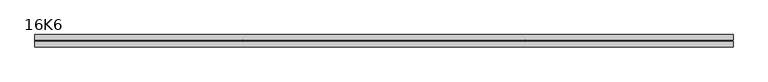
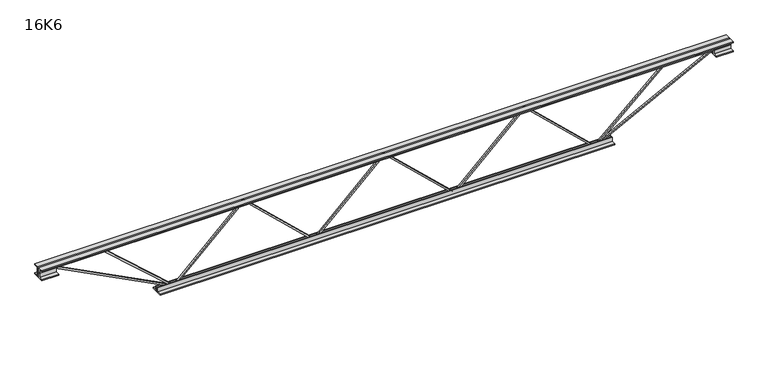
"""IFC4 building model written with IfcOpenShell, lengths in millimetres: beam geometry, 16K6."""

from ifc_helpers import new_model, si_unit, frame, origin, place, context, project, spatial, polyline, outline, extrude, source, transform, mapped, element, save


def beam_16k6_fc49dab9(model_context):
    return source(origin(), model_context, "Body", "SweptSolid", [
        extrude(outline(polyline([(-191.9, -422.5), (-201.4, -422.5), (-201.4, -417.4355605), (191.9, -1.2855605), (191.9, 1.2855605), (-201.4, 417.4355605), (-201.4, 422.5), (-191.9, 422.5), (-191.9, 421.2144395), (201.4, 5.0644395), (201.4, -5.0644395), (-191.9, -421.2144395), (-191.9, -422.5)])), frame((0.0, -4.75, 0.0), z_axis=(0.0, 1.0, 0.0), x_axis=(0.0, 0.0, 1.0)), (0.0, 0.0, 1.0), 9.5),
        extrude(outline(polyline([(-191.9, 422.5), (-201.4, 422.5), (-201.4, 427.5644395), (191.9, 843.7144395), (191.9, 846.2855605), (-201.4, 1262.4355605), (-201.4, 1267.5), (-191.9, 1267.5), (-191.9, 1266.2144395), (201.4, 850.0644395), (201.4, 839.9355605), (-191.9, 423.7855605), (-191.9, 422.5)])), frame((0.0, -4.75, 0.0), z_axis=(0.0, 1.0, 0.0), x_axis=(0.0, 0.0, 1.0)), (0.0, 0.0, 1.0), 9.5),
        extrude(outline(polyline([(-191.9, -1267.5), (-201.4, -1267.5), (-201.4, -1262.4355605), (191.9, -846.2855605), (191.9, -843.7144395), (-201.4, -427.5644395), (-201.4, -422.5), (-191.9, -422.5), (-191.9, -423.7855605), (201.4, -839.9355605), (201.4, -850.0644395), (-191.9, -1266.2144395), (-191.9, -1267.5)])), frame((0.0, -4.75, 0.0), z_axis=(0.0, 1.0, 0.0), x_axis=(0.0, 0.0, 1.0)), (0.0, 0.0, 1.0), 9.5),
        extrude(outline(polyline([(4.75, 203.0), (36.75, 203.0), (36.75, 196.5), (11.25, 196.5), (11.25, 171.0), (4.75, 171.0), (4.75, 203.0)])), frame((-2079.5, 0.0, 0.0), z_axis=(1.0, 0.0, 0.0), x_axis=(0.0, 1.0, 0.0)), (0.0, 0.0, 1.0), 4159.0),
        extrude(outline(polyline([(-4.75, 203.0), (-4.75, 171.0), (-11.25, 171.0), (-11.25, 196.5), (-36.75, 196.5), (-36.75, 203.0), (-4.75, 203.0)])), frame((-2079.5, 0.0, 0.0), z_axis=(1.0, 0.0, 0.0), x_axis=(0.0, 1.0, 0.0)), (0.0, 0.0, 1.0), 4159.0),
        extrude(outline(polyline([(-4.75, 139.5), (-36.75, 139.5), (-36.75, 146.0), (-11.25, 146.0), (-11.25, 171.0), (-4.75, 171.0), (-4.75, 139.5)])), frame((-2079.5, 0.0, 0.0), z_axis=(1.0, 0.0, 0.0), x_axis=(0.0, 1.0, 0.0)), (0.0, 0.0, 1.0), 100.0),
        extrude(outline(polyline([(36.75, 139.5), (4.75, 139.5), (4.75, 171.0), (11.25, 171.0), (11.25, 146.0), (36.75, 146.0), (36.75, 139.5)])), frame((-2079.5, 0.0, 0.0), z_axis=(1.0, 0.0, 0.0), x_axis=(0.0, 1.0, 0.0)), (0.0, 0.0, 1.0), 100.0),
        extrude(outline(polyline([(4.75, 139.5), (4.75, 171.0), (11.25, 171.0), (11.25, 146.0), (36.75, 146.0), (36.75, 139.5), (4.75, 139.5)])), frame((1979.5, 0.0, 0.0), z_axis=(1.0, 0.0, 0.0), x_axis=(0.0, 1.0, 0.0)), (0.0, 0.0, 1.0), 100.0),
        extrude(outline(polyline([(-4.75, 139.5), (-36.75, 139.5), (-36.75, 146.0), (-11.25, 146.0), (-11.25, 171.0), (-4.75, 171.0), (-4.75, 139.5)])), frame((1979.5, 0.0, 0.0), z_axis=(1.0, 0.0, 0.0), x_axis=(0.0, 1.0, 0.0)), (0.0, 0.0, 1.0), 100.0),
        extrude(outline(polyline([(4.75, -203.0), (4.75, -171.0), (11.25, -171.0), (11.25, -196.5), (36.75, -196.5), (36.75, -203.0), (4.75, -203.0)])), frame((-1367.5, 0.0, 0.0), z_axis=(1.0, 0.0, 0.0), x_axis=(0.0, 1.0, 0.0)), (0.0, 0.0, 1.0), 2735.0),
        extrude(outline(polyline([(-4.75, -203.0), (-36.75, -203.0), (-36.75, -196.5), (-11.25, -196.5), (-11.25, -171.0), (-4.75, -171.0), (-4.75, -203.0)])), frame((-1367.5, 0.0, 0.0), z_axis=(1.0, 0.0, 0.0), x_axis=(0.0, 1.0, 0.0)), (0.0, 0.0, 1.0), 2735.0),
        extrude(outline(polyline([(-200.8705467, -1269.6793315), (-192.4294533, -1265.3206685), (175.75, -1978.3460208), (175.75, -2079.5), (166.25, -2079.5), (166.25, -1980.6539792), (-200.8705467, -1269.6793315)])), frame((0.0, -4.75, 0.0), z_axis=(0.0, 1.0, 0.0), x_axis=(0.0, 0.0, 1.0)), (0.0, 0.0, 1.0), 9.5),
        extrude(outline(polyline([(188.7, -1709.9571429), (179.2, -1709.9571429), (179.2, -1699.0581141), (-200.2059665, -1270.6492225), (-193.0940335, -1264.3507775), (188.7, -1695.4561716), (188.7, -1709.9571429)])), frame((0.0, -4.75, 0.0), z_axis=(0.0, 1.0, 0.0), x_axis=(0.0, 0.0, 1.0)), (0.0, 0.0, 1.0), 9.5),
        extrude(outline(polyline([(0.0, -9.5), (0.0, 0.0), (801.3179909, 0.0), (801.3179909, -9.5), (0.0, -9.5)])), frame((1981.6793315, -4.75, 166.7794533), z_axis=(-0.45880662132449523, 0.0, 0.8885361468329813), x_axis=(-0.8885361468329813, 0.0, -0.45880662132449523)), (0.0, 0.0, 1.0), 9.5),
        extrude(outline(polyline([(0.0, -9.5), (0.0, 0.0), (587.9339894, 0.0), (587.9339894, -9.5), (0.0, -9.5)])), frame((1707.6918108, -4.75, 193.1193012), z_axis=(-0.6689526495762836, 0.0, 0.7433050199109851), x_axis=(-0.7433050199109851, 0.0, -0.6689526495762836)), (0.0, 0.0, 1.0), 9.5),
    ])


if __name__ == "__main__":
    model = new_model("IFC4")
    model_context = context("Model", 3, world=origin())
    ifc_project = project(units=[si_unit("LENGTHUNIT", "METRE", prefix="MILLI")], contexts=[model_context])
    site = spatial("IfcSite", under=ifc_project)
    building = spatial("IfcBuilding", under=site)
    placement = place(None, origin())
    beam_16k6_shape = beam_16k6_fc49dab9(model_context)
    element("IfcBeam", 1, ObjectType="16K6", at=placement, inside=building, context=model_context, shape_type="MappedRepresentation", body=[
        mapped(beam_16k6_shape, transform((0.0, 0.0, 0.0), x_axis=(1.0, 0.0, 0.0), y_axis=(0.0, 1.0, 0.0), z_axis=(0.0, 0.0, 1.0))),
    ])
    save(model, "model.ifc")
